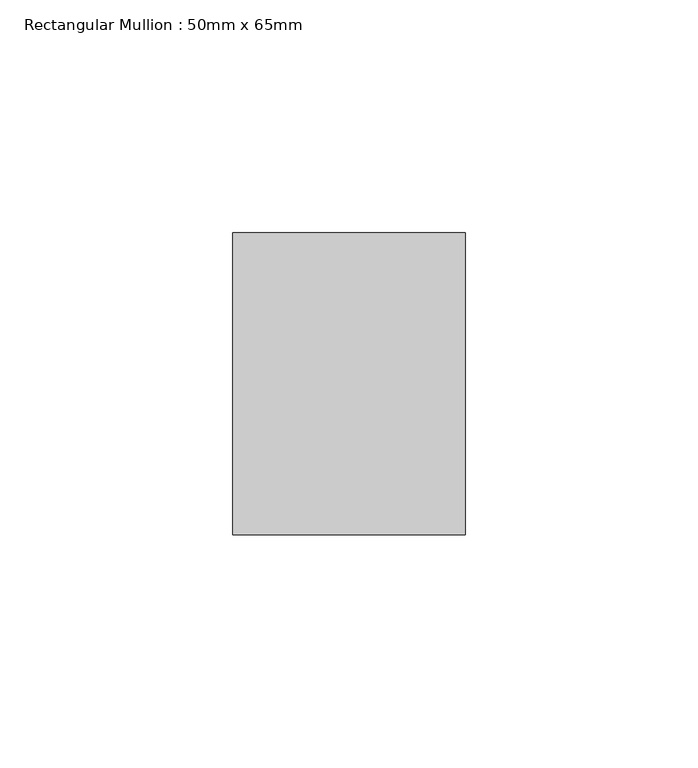
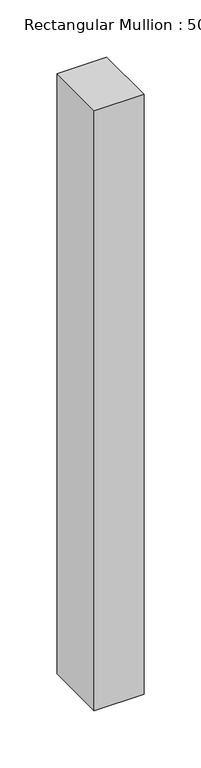
"""IFC4 building model written with IfcOpenShell, lengths in millimetres: member geometry, Rectangular Mullion : 50mm x 65mm."""

from ifc_helpers import new_model, si_unit, frame, origin, place, context, project, spatial, polyline, outline, extrude, source, transform, mapped, element, save


def rectangular_mullion_50mm_x_65mm_68d68e1c(model_context):
    return source(origin(), model_context, "Body", "SweptSolid", [
        extrude(outline(polyline([(25.0, 32.5), (25.0, -32.5), (-25.0, -32.5), (-25.0, 32.5), (25.0, 32.5)])), frame((0.0, 0.0, -639.7123646), z_axis=(0.0, 0.0, 1.0), x_axis=(1.0, 0.0, 0.0)), (0.0, 0.0, 1.0), 639.7123646),
    ])


if __name__ == "__main__":
    model = new_model("IFC4")
    model_context = context("Model", 3, world=origin())
    ifc_project = project(units=[si_unit("LENGTHUNIT", "METRE", prefix="MILLI")], contexts=[model_context])
    site = spatial("IfcSite", under=ifc_project)
    building = spatial("IfcBuilding", under=site)
    placement = place(None, origin())
    rectangular_mullion_50mm_x_65mm_shape = rectangular_mullion_50mm_x_65mm_68d68e1c(model_context)
    element("IfcMember", 1, ObjectType="Rectangular Mullion : 50mm x 65mm", at=placement, inside=building, context=model_context, shape_type="MappedRepresentation", body=[
        mapped(rectangular_mullion_50mm_x_65mm_shape, transform((0.0, 0.0, 0.0), x_axis=(1.0, 0.0, 0.0), y_axis=(0.0, 1.0, 0.0), z_axis=(0.0, 0.0, 1.0))),
    ])
    save(model, "model.ifc")
